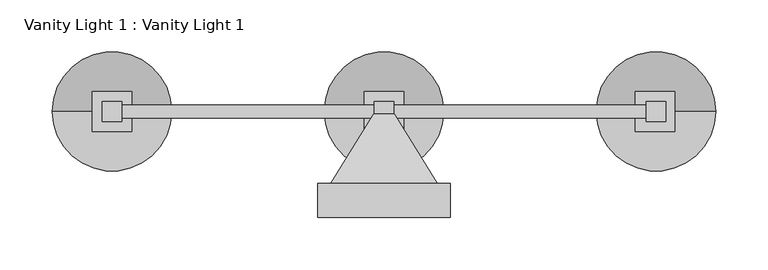
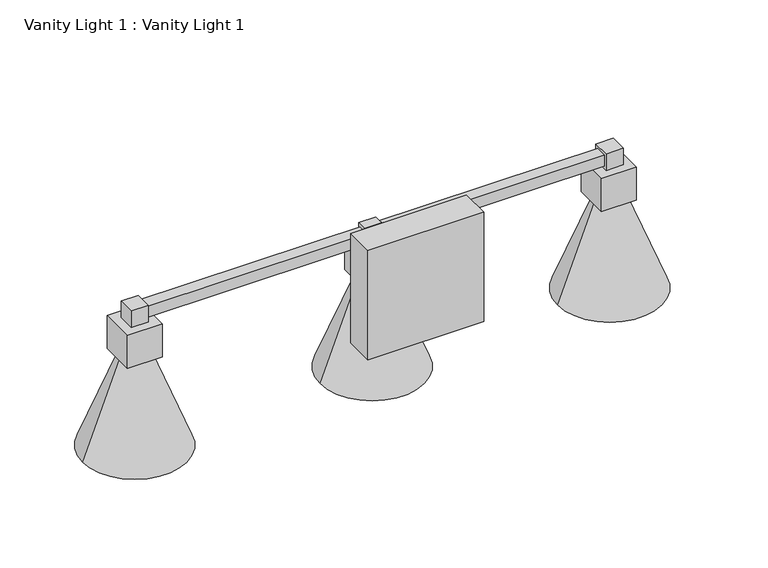
"""IFC4 building model written with IfcOpenShell, lengths in millimetres: light fixture geometry, Vanity Light 1 : Vanity Light 1."""

from ifc_helpers import new_model, si_unit, frame, origin, place, context, project, spatial, polyline, circle_curve, outline, extrude, faceted_brep, source, transform, mapped, element, save
from ifc_brep_helpers import plane_surface, revolved_surface, advanced_brep


def vanity_light_1_vanity_light_1_6cc32147(model_context):
    return source(origin(), model_context, "Body", "SolidModel", [
        advanced_brep(
        [(223.9943373, 206.375, 1811.7225675), (281.1443373, 206.375, 1811.7225675), (166.8443373, 206.375, 1811.7225675), (208.1193373, 206.375, 1918.900134), (239.8693373, 206.375, 1918.900134), (223.9943373, 206.375, 1918.900134)],
        [
            (0, 1),
            (1, 2, circle_curve(frame((223.9943373, 206.375, 1811.7225675), z_axis=(0.0, 0.0, -1.0), x_axis=(1.0, 0.0, 0.0)), 57.15)),
            (2, 0),
            (2, 1, circle_curve(frame((223.9943373, 206.375, 1811.7225675), z_axis=(0.0, 0.0, -1.0), x_axis=(1.0, 0.0, 0.0)), 57.15)),
            (3, 4, circle_curve(frame((223.9943373, 206.375, 1918.900134), z_axis=(0.0, 0.0, 1.0), x_axis=(1.0, 0.0, 0.0)), 15.875)),
            (4, 5),
            (5, 3),
            (4, 3, circle_curve(frame((223.9943373, 206.375, 1918.900134), z_axis=(0.0, 0.0, 1.0), x_axis=(1.0, 0.0, 0.0)), 15.875)),
            (1, 4),
            (3, 2),
        ],
        [
            plane_surface(frame((223.9943373, 206.375, 1811.7225675), z_axis=(0.0, 0.0, -1.0), x_axis=(1.0, 0.0, 0.0))),
            plane_surface(frame((223.9943373, 206.375, 1918.900134), z_axis=(0.0, 0.0, 1.0), x_axis=(1.0, 0.0, 0.0))),
            revolved_surface(polyline([(239.8693373, 206.375, 1918.900134), (281.1443373, 206.375, 1811.7225675)]), (223.9943373, 206.375, 1928.6682179), (0.0, 0.0, -1.0)),
        ],
        [
            (0, [[1, 2, 3]]),
            (0, [[-3, 4, -1]]),
            (1, [[5, 6, 7]]),
            (1, [[8, -7, -6]]),
            (2, [[-2, 9, -5, 10]]),
            (2, [[-4, -10, -8, -9]]),
        ],
    ),
        advanced_brep(
        [(-36.3556627, 206.375, 1811.7225675), (20.7943373, 206.375, 1811.7225675), (-93.5056627, 206.375, 1811.7225675), (-52.2306627, 206.375, 1918.900134), (-20.4806627, 206.375, 1918.900134), (-36.3556627, 206.375, 1918.900134)],
        [
            (0, 1),
            (1, 2, circle_curve(frame((-36.3556627, 206.375, 1811.7225675), z_axis=(0.0, 0.0, -1.0), x_axis=(1.0, 0.0, 0.0)), 57.15)),
            (2, 0),
            (2, 1, circle_curve(frame((-36.3556627, 206.375, 1811.7225675), z_axis=(0.0, 0.0, -1.0), x_axis=(1.0, 0.0, 0.0)), 57.15)),
            (3, 4, circle_curve(frame((-36.3556627, 206.375, 1918.900134), z_axis=(0.0, 0.0, 1.0), x_axis=(1.0, 0.0, 0.0)), 15.875)),
            (4, 5),
            (5, 3),
            (4, 3, circle_curve(frame((-36.3556627, 206.375, 1918.900134), z_axis=(0.0, 0.0, 1.0), x_axis=(1.0, 0.0, 0.0)), 15.875)),
            (1, 4),
            (3, 2),
        ],
        [
            plane_surface(frame((-36.3556627, 206.375, 1811.7225675), z_axis=(0.0, 0.0, -1.0), x_axis=(1.0, 0.0, 0.0))),
            plane_surface(frame((-36.3556627, 206.375, 1918.900134), z_axis=(0.0, 0.0, 1.0), x_axis=(1.0, 0.0, 0.0))),
            revolved_surface(polyline([(-20.4806627, 206.375, 1918.900134), (20.7943373, 206.375, 1811.7225675)]), (-36.3556627, 206.375, 1928.6682179), (0.0, 0.0, -1.0)),
        ],
        [
            (0, [[1, 2, 3]]),
            (0, [[-3, 4, -1]]),
            (1, [[5, 6, 7]]),
            (1, [[8, -7, -6]]),
            (2, [[-2, 9, -5, 10]]),
            (2, [[-4, -10, -8, -9]]),
        ],
    ),
        advanced_brep(
        [(-296.7056627, 206.375, 1811.7225675), (-239.5556627, 206.375, 1811.7225675), (-353.8556627, 206.375, 1811.7225675), (-312.5806627, 206.375, 1918.900134), (-280.8306627, 206.375, 1918.900134), (-296.7056627, 206.375, 1918.900134)],
        [
            (0, 1),
            (1, 2, circle_curve(frame((-296.7056627, 206.375, 1811.7225675), z_axis=(0.0, 0.0, -1.0), x_axis=(1.0, 0.0, 0.0)), 57.15)),
            (2, 0),
            (2, 1, circle_curve(frame((-296.7056627, 206.375, 1811.7225675), z_axis=(0.0, 0.0, -1.0), x_axis=(1.0, 0.0, 0.0)), 57.15)),
            (3, 4, circle_curve(frame((-296.7056627, 206.375, 1918.900134), z_axis=(0.0, 0.0, 1.0), x_axis=(1.0, 0.0, 0.0)), 15.875)),
            (4, 5),
            (5, 3),
            (4, 3, circle_curve(frame((-296.7056627, 206.375, 1918.900134), z_axis=(0.0, 0.0, 1.0), x_axis=(1.0, 0.0, 0.0)), 15.875)),
            (1, 4),
            (3, 2),
        ],
        [
            plane_surface(frame((-296.7056627, 206.375, 1811.7225675), z_axis=(0.0, 0.0, -1.0), x_axis=(1.0, 0.0, 0.0))),
            plane_surface(frame((-296.7056627, 206.375, 1918.900134), z_axis=(0.0, 0.0, 1.0), x_axis=(1.0, 0.0, 0.0))),
            revolved_surface(polyline([(-280.8306627, 206.375, 1918.900134), (-239.5556627, 206.375, 1811.7225675)]), (-296.7056627, 206.375, 1928.6682179), (0.0, 0.0, -1.0)),
        ],
        [
            (0, [[1, 2, 3]]),
            (0, [[-3, 4, -1]]),
            (1, [[5, 6, 7]]),
            (1, [[8, -7, -6]]),
            (2, [[-2, 9, -5, 10]]),
            (2, [[-4, -10, -8, -9]]),
        ],
    ),
        extrude(outline(polyline([(-45.8806627, 215.9), (-26.8306627, 215.9), (-26.8306627, 196.85), (-45.8806627, 196.85), (-45.8806627, 215.9)])), frame((0.0, 0.0, 1957.000134), z_axis=(0.0, 0.0, 1.0), x_axis=(1.0, 0.0, 0.0)), (0.0, 0.0, 1.0), 19.05),
        extrude(outline(polyline([(-55.4056627, 225.425), (-17.3056627, 225.425), (-17.3056627, 187.325), (-55.4056627, 187.325), (-55.4056627, 225.425)])), frame((0.0, 0.0, 1918.900134), z_axis=(0.0, 0.0, 1.0), x_axis=(1.0, 0.0, 0.0)), (0.0, 0.0, 1.0), 38.1),
        extrude(outline(polyline([(-296.7056627, 212.725), (223.9943373, 212.725), (223.9943373, 200.025), (-296.7056627, 200.025), (-296.7056627, 212.725)])), frame((0.0, 0.0, 1960.175134), z_axis=(0.0, 0.0, 1.0), x_axis=(1.0, 0.0, 0.0)), (0.0, 0.0, 1.0), 12.7),
        faceted_brep([(-99.8556627, 137.4819026, 2030.025134), (27.1443373, 137.4819026, 2030.025134), (27.1443373, 137.4819026, 1903.025134), (-99.8556627, 137.4819026, 1903.025134), (-99.8556627, 104.775, 2030.025134), (-99.8556627, 104.775, 1903.025134), (27.1443373, 104.775, 1903.025134), (27.1443373, 104.775, 2030.025134)], [[[0, 1, 2, 3]], [[4, 5, 6, 7]], [[1, 0, 4, 7]], [[2, 1, 7, 6]], [[3, 2, 6, 5]], [[0, 3, 5, 4]]]),
        faceted_brep([(214.4693373, 215.9, 1957.000134), (214.4693373, 215.9, 1976.050134), (233.5193373, 215.9, 1976.050134), (233.5193373, 215.9, 1957.000134), (233.5193373, 196.85, 1957.000134), (233.5193373, 196.85, 1976.050134), (214.4693373, 196.85, 1976.050134), (214.4693373, 196.85, 1957.000134), (242.044135, 225.425, 1918.900134), (203.944135, 225.425, 1918.900134), (203.944135, 225.425, 1957.000134), (242.044135, 225.425, 1957.000134), (242.044135, 187.325, 1918.900134), (242.044135, 187.325, 1957.000134), (203.944135, 187.325, 1957.000134), (203.944135, 187.325, 1918.900134)], [[[0, 1, 2, 3]], [[4, 5, 6, 7]], [[1, 0, 7, 6]], [[2, 1, 6, 5]], [[3, 2, 5, 4]], [[8, 9, 10, 11]], [[12, 13, 14, 15]], [[9, 8, 12, 15]], [[10, 9, 15, 14]], [[11, 10, 14, 13], [0, 3, 4, 7]], [[8, 11, 13, 12]]]),
        faceted_brep([(-277.6556627, 225.425, 1918.900134), (-315.7556627, 225.425, 1918.900134), (-315.7556627, 225.425, 1957.000134), (-277.6556627, 225.425, 1957.000134), (-277.6556627, 187.325, 1918.900134), (-277.6556627, 187.325, 1957.000134), (-315.7556627, 187.325, 1957.000134), (-315.7556627, 187.325, 1918.900134), (-306.2306627, 215.9, 1957.000134), (-287.1806627, 215.9, 1957.000134), (-287.1806627, 196.85, 1957.000134), (-306.2306627, 196.85, 1957.000134), (-306.2306627, 215.9, 1976.050134), (-287.1806627, 215.9, 1976.050134), (-287.1806627, 196.85, 1976.050134), (-306.2306627, 196.85, 1976.050134)], [[[0, 1, 2, 3]], [[4, 5, 6, 7]], [[1, 0, 4, 7]], [[2, 1, 7, 6]], [[3, 2, 6, 5], [8, 9, 10, 11]], [[0, 3, 5, 4]], [[8, 12, 13, 9]], [[10, 14, 15, 11]], [[12, 8, 11, 15]], [[13, 12, 15, 14]], [[9, 13, 14, 10]]]),
        faceted_brep([(-44.9093547, 206.375, 1957.9714419), (-44.9093547, 206.375, 1975.0788261), (-27.8019706, 206.375, 1975.0788261), (-27.8019706, 206.375, 1957.9714419), (-87.1556627, 137.4819026, 1915.725134), (14.4443373, 137.4819026, 1915.725134), (14.4443373, 137.4819026, 2017.325134), (-87.1556627, 137.4819026, 2017.325134)], [[[0, 1, 2, 3]], [[4, 5, 6, 7]], [[4, 7, 1, 0]], [[7, 6, 2, 1]], [[6, 5, 3, 2]], [[5, 4, 0, 3]]]),
    ])


if __name__ == "__main__":
    model = new_model("IFC4")
    model_context = context("Model", 3, world=origin())
    ifc_project = project(units=[si_unit("LENGTHUNIT", "METRE", prefix="MILLI")], contexts=[model_context])
    site = spatial("IfcSite", under=ifc_project)
    building = spatial("IfcBuilding", under=site)
    placement = place(None, origin())
    vanity_light_1_vanity_light_1_shape = vanity_light_1_vanity_light_1_6cc32147(model_context)
    element("IfcLightFixture", 1, ObjectType="Vanity Light 1 : Vanity Light 1", at=placement, inside=building, context=model_context, shape_type="MappedRepresentation", body=[
        mapped(vanity_light_1_vanity_light_1_shape, transform((0.0, 0.0, 0.0), x_axis=(1.0, 0.0, 0.0), y_axis=(0.0, 1.0, 0.0), z_axis=(0.0, 0.0, 1.0))),
    ])
    save(model, "model.ifc")
